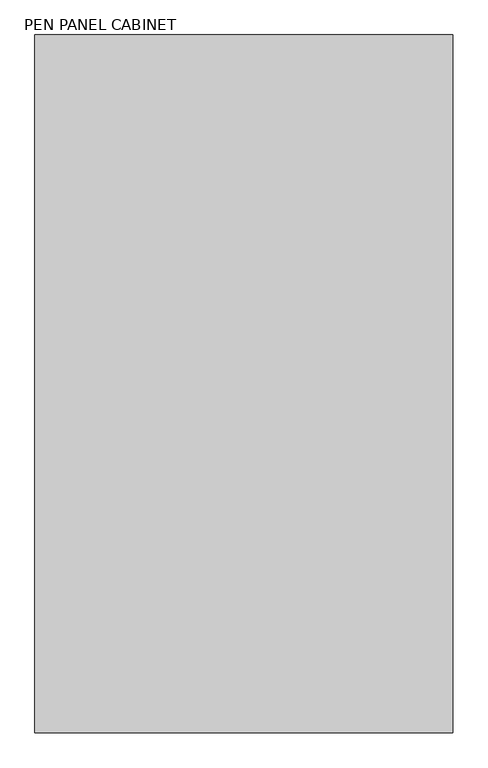
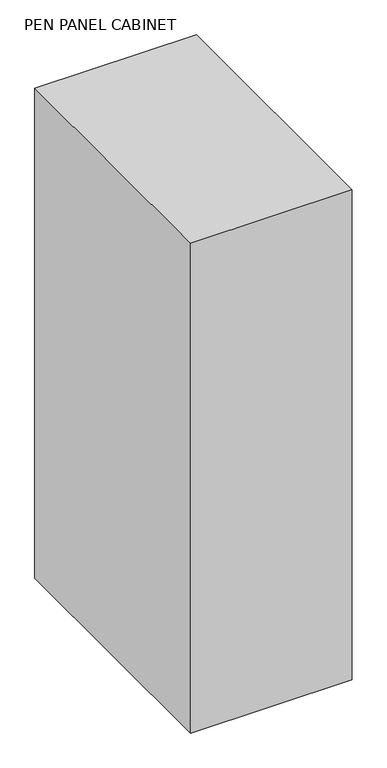
"""IFC4 building model written with IfcOpenShell, lengths in millimetres: proxy geometry, PEN PANEL CABINET."""

from ifc_helpers import new_model, si_unit, origin, origin_with_axes, place, context, project, spatial, polyline, outline, extrude, source, transform, mapped, element, save


def pen_panel_cabinet_3c13b5a8(model_context):
    return source(origin(), model_context, "Body", "SweptSolid", [
        extrude(outline(polyline([(299.72, 975.36), (299.72, -25.4), (-299.72, -25.4), (-299.72, 975.36), (299.72, 975.36)])), origin_with_axes(), (0.0, 0.0, 1.0), 1920.24),
    ])


if __name__ == "__main__":
    model = new_model("IFC4")
    model_context = context("Model", 3, world=origin())
    ifc_project = project(units=[si_unit("LENGTHUNIT", "METRE", prefix="MILLI")], contexts=[model_context])
    site = spatial("IfcSite", under=ifc_project)
    building = spatial("IfcBuilding", under=site)
    placement = place(None, origin())
    pen_panel_cabinet_shape = pen_panel_cabinet_3c13b5a8(model_context)
    element("IfcBuildingElementProxy", 1, Name="PEN PANEL CABINET", ObjectType="PEN PANEL CABINET", at=placement, inside=building, context=model_context, shape_type="MappedRepresentation", body=[
        mapped(pen_panel_cabinet_shape, transform((0.0, 0.0, 0.0), x_axis=(1.0, 0.0, 0.0), y_axis=(0.0, 1.0, 0.0), z_axis=(0.0, 0.0, 1.0))),
    ])
    save(model, "model.ifc")
